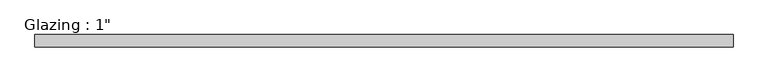
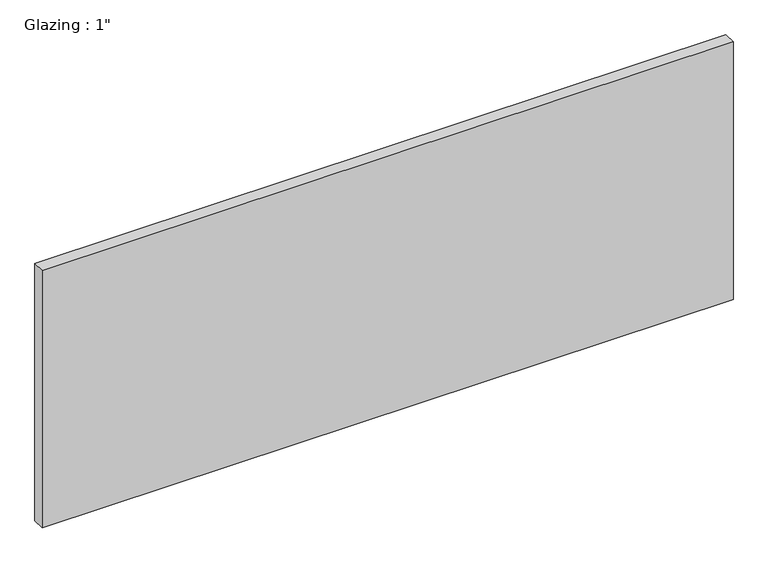
"""IFC4 building model written with IfcOpenShell, lengths in millimetres: plate geometry."""

import ifcopenshell
import ifcopenshell.guid

model = None  # the IFC model being written
_history = None  # IfcOwnerHistory: only IFC2X3 demands one
_inside = {}  # id of a spatial element -> (the spatial element, [elements in it])
_under = {}  # id of a project, library or spatial element -> (it, [spatial elements below it])
_declared = {}  # id of a project -> (the project, [libraries it declares])
_typed = {}  # id of a type object -> (the type object, [elements of that type])
_made_of = {}  # id of a material, layer set ... -> (it, [elements and type objects made of it])


def new_model(schema):
    """Start an empty IFC model of exactly this schema.

    Asked for "IFC4X3", IfcOpenShell would pick the latest addendum, in which some entities
    have other attributes; the version numbers below select the first issue.
    IFC2X3 requires an IfcOwnerHistory on every rooted entity: one is made here for all.
    """
    global model, _history
    if schema == "IFC4X3":
        model = ifcopenshell.file(schema_version=(4, 3, 0, 0))
    else:
        model = ifcopenshell.file(schema=schema)
    _inside.clear()
    _under.clear()
    _declared.clear()
    _typed.clear()
    _made_of.clear()
    _history = None
    if model.schema == "IFC2X3":
        org = make("IfcOrganization", Name="unknown")
        user = make(
            "IfcPersonAndOrganization",
            ThePerson=make("IfcPerson", FamilyName="unknown"),
            TheOrganization=org,
        )
        app = make(
            "IfcApplication",
            ApplicationDeveloper=org,
            Version="unknown",
            ApplicationFullName="unknown",
            ApplicationIdentifier="unknown",
        )
        _history = make(
            "IfcOwnerHistory",
            OwningUser=user,
            OwningApplication=app,
            ChangeAction="ADDED",
            CreationDate=0,
        )
    return model


def make(cls, **values):
    """One entity of the class cls with the attributes given. An attribute that is None is left unset."""
    return model.create_entity(
        cls, **{name: value for name, value in values.items() if value is not None}
    )


def rooted(cls, **values):
    """An entity with a GlobalId (a new one), such as an element, a storey or a relation."""
    return make(cls, GlobalId=ifcopenshell.guid.new(), OwnerHistory=_history, **values)


def si_unit(unit_type, name, prefix=None):
    """IfcSIUnit, for example si_unit("LENGTHUNIT", "METRE", prefix="MILLI")."""
    return make("IfcSIUnit", UnitType=unit_type, Prefix=prefix, Name=name)


def assignment(units):
    """IfcUnitAssignment: the units of a project."""
    return None if units is None else make("IfcUnitAssignment", Units=units)


def point(xyz):
    """IfcCartesianPoint."""
    return None if xyz is None else make("IfcCartesianPoint", Coordinates=xyz)


def direction(xyz):
    """IfcDirection."""
    return None if xyz is None else make("IfcDirection", DirectionRatios=xyz)


def frame(location, z_axis=None, x_axis=None):
    """IfcAxis2Placement3D, a coordinate frame: its origin and axes. An axis left out is left unset."""
    return make(
        "IfcAxis2Placement3D",
        Location=point(location),
        Axis=direction(z_axis),
        RefDirection=direction(x_axis),
    )


def origin():
    """The frame at (0, 0, 0) with its axes left unset."""
    return frame((0.0, 0.0, 0.0))


def origin_with_axes():
    """The frame at (0, 0, 0) with the z axis (0, 0, 1) and the x axis (1, 0, 0) written out."""
    return frame((0.0, 0.0, 0.0), z_axis=(0.0, 0.0, 1.0), x_axis=(1.0, 0.0, 0.0))


def place(relative_to, where):
    """IfcLocalPlacement: puts the frame where relative to a parent placement (None: the world)."""
    return make(
        "IfcLocalPlacement", PlacementRelTo=relative_to, RelativePlacement=where
    )


def context(
    kind, dimensions, precision=None, world=None, true_north=None, identifier=None
):
    """IfcGeometricRepresentationContext, for example the 3D "Model" context."""
    return make(
        "IfcGeometricRepresentationContext",
        ContextIdentifier=identifier,
        ContextType=kind,
        CoordinateSpaceDimension=dimensions,
        Precision=precision,
        WorldCoordinateSystem=world,
        TrueNorth=true_north,
    )


def project(units=None, contexts=None):
    """IfcProject with its units and contexts."""
    return rooted(
        "IfcProject",
        Name="project",
        RepresentationContexts=contexts,
        UnitsInContext=assignment(units),
    )


def spatial(cls, under=None, at=None, **own):
    """A site, building, storey or space (cls), placed at a placement, below another one or the project."""
    s = rooted(cls, ObjectPlacement=at, **own)
    if under is not None:
        _under.setdefault(under.id(), (under, []))[1].append(s)
    return s


def polyline(points):
    """IfcPolyline through the points."""
    return make("IfcPolyline", Points=[point(p) for p in points])


def outline(outer, holes=None, kind="AREA"):
    """IfcArbitraryClosedProfileDef: a profile drawn as a closed curve; with holes, ...WithVoids."""
    if holes is None:
        return make("IfcArbitraryClosedProfileDef", ProfileType=kind, OuterCurve=outer)
    return make(
        "IfcArbitraryProfileDefWithVoids",
        ProfileType=kind,
        OuterCurve=outer,
        InnerCurves=holes,
    )


def extrude(swept, where, along, depth):
    """IfcExtrudedAreaSolid: the profile swept, set in the frame where, extruded along a direction by depth."""
    return make(
        "IfcExtrudedAreaSolid",
        SweptArea=swept,
        Position=where,
        ExtrudedDirection=direction(along),
        Depth=depth,
    )


def shape(context_of_items, identifier, shape_type, items):
    """IfcShapeRepresentation: the items that make up one representation, for example the "Body"."""
    return make(
        "IfcShapeRepresentation",
        ContextOfItems=context_of_items,
        RepresentationIdentifier=identifier,
        RepresentationType=shape_type,
        Items=items,
    )


def source(mapping_origin, context_of_items, identifier, shape_type, items):
    """IfcRepresentationMap: a shape defined once, which mapped items show again and again."""
    return make(
        "IfcRepresentationMap",
        MappingOrigin=mapping_origin,
        MappedRepresentation=shape(context_of_items, identifier, shape_type, items),
    )


def transform(
    local_origin,
    x_axis=None,
    y_axis=None,
    z_axis=None,
    scale=None,
    scale2=None,
    scale3=None,
    uniform=True,
):
    """IfcCartesianTransformationOperator3D, or its non-uniform kind. x_axis, y_axis, z_axis: its Axis1, 2, 3."""
    if uniform:
        return make(
            "IfcCartesianTransformationOperator3D",
            Axis1=direction(x_axis),
            Axis2=direction(y_axis),
            LocalOrigin=point(local_origin),
            Scale=scale,
            Axis3=direction(z_axis),
        )
    return make(
        "IfcCartesianTransformationOperator3DnonUniform",
        Axis1=direction(x_axis),
        Axis2=direction(y_axis),
        LocalOrigin=point(local_origin),
        Scale=scale,
        Axis3=direction(z_axis),
        Scale2=scale2,
        Scale3=scale3,
    )


def mapped(mapping_source, mapping_target):
    """IfcMappedItem: shows the shape of a source again, moved by a transform."""
    return make(
        "IfcMappedItem", MappingSource=mapping_source, MappingTarget=mapping_target
    )


def made_of(thing, what):
    """Note that an element or type object is made of a material, layer set ...; save() writes the relation."""
    if what is not None:
        _made_of.setdefault(what.id(), (what, []))[1].append(thing)
    return thing


def element(
    cls,
    number,
    at=None,
    inside=None,
    cuts=None,
    type_object=None,
    material=None,
    context=None,
    identifier="Body",
    shape_type=None,
    held_by="IfcProductDefinitionShape",
    body=None,
    shapes=None,
    **own,
):
    """One element of the class cls, such as IfcWall. Its Tag is "e" and its number.

    at: its placement. inside: the storey or other place that contains it. cuts: it is an
    opening in that element (IfcRelVoidsElement). A single representation is given by context,
    identifier, shape_type and body (its items); several are given by shapes. held_by: the class
    of the entity that holds the representations. save() writes the other relations.
    """
    e = rooted(cls, Tag="e%d" % number, ObjectPlacement=at, **own)
    if body is not None:
        shapes = [shape(context, identifier, shape_type, body)]
    if shapes is not None:
        e.Representation = make(held_by, Representations=shapes)
    if inside is not None:
        _inside.setdefault(inside.id(), (inside, []))[1].append(e)
    if cuts is not None:
        rooted(
            "IfcRelVoidsElement", RelatingBuildingElement=cuts, RelatedOpeningElement=e
        )
    if type_object is not None:
        _typed.setdefault(type_object.id(), (type_object, []))[1].append(e)
    return made_of(e, material)


def aggregate(whole, parts):
    """IfcRelAggregates: a whole, such as a stair, and the parts it consists of."""
    return rooted("IfcRelAggregates", RelatingObject=whole, RelatedObjects=parts)


def save(model, path):
    """Write the relations noted so far, then the file.

    IfcRelAggregates (storeys below a building ...), IfcRelContainedInSpatialStructure (elements
    in a storey), IfcRelDefinesByType, IfcRelAssociatesMaterial and IfcRelDeclares: one each for
    every whole, place, type object, material and project.
    """
    for whole, parts in _under.values():
        aggregate(whole, parts)
    for where, things in _inside.values():
        rooted(
            "IfcRelContainedInSpatialStructure",
            RelatedElements=things,
            RelatingStructure=where,
        )
    for kind, things in _typed.values():
        rooted("IfcRelDefinesByType", RelatedObjects=things, RelatingType=kind)
    for what, things in _made_of.values():
        rooted("IfcRelAssociatesMaterial", RelatedObjects=things, RelatingMaterial=what)
    for by, libraries in _declared.values():
        rooted("IfcRelDeclares", RelatingContext=by, RelatedDefinitions=libraries)
    model.write(path)


def plate_df0a618d(model_context):
    return source(origin(), model_context, "Body", "SweptSolid", [
        extrude(outline(polyline([(710.5540109, -12.7), (-710.5540109, -12.7), (-710.5540109, 12.7), (710.5540109, 12.7), (710.5540109, -12.7)])), origin_with_axes(), (0.0, 0.0, 1.0), 560.0039722),
    ])


if __name__ == "__main__":
    model = new_model("IFC4")
    model_context = context("Model", 3, world=origin())
    ifc_project = project(units=[si_unit("LENGTHUNIT", "METRE", prefix="MILLI")], contexts=[model_context])
    site = spatial("IfcSite", under=ifc_project)
    building = spatial("IfcBuilding", under=site)
    placement = place(None, origin())
    plate_shape = plate_df0a618d(model_context)
    element("IfcPlate", 1, ObjectType="Glazing : 1\"", at=placement, inside=building, context=model_context, shape_type="MappedRepresentation", body=[
        mapped(plate_shape, transform((0.0, 0.0, 0.0), x_axis=(1.0, 0.0, 0.0), y_axis=(0.0, 1.0, 0.0), z_axis=(0.0, 0.0, 1.0))),
    ])
    save(model, "model.ifc")
